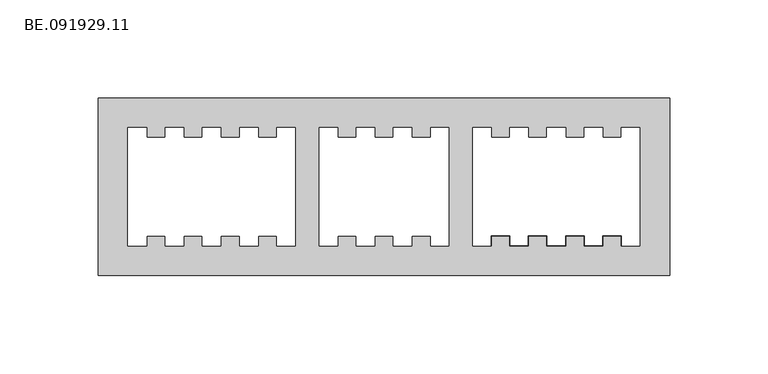
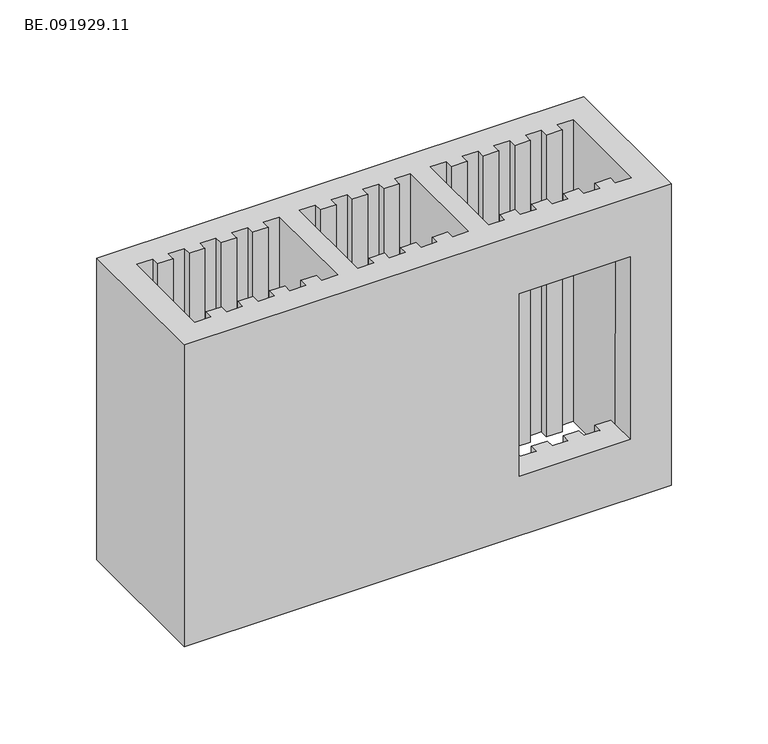
"""IFC4 building model written with IfcOpenShell, lengths in millimetres: proxy geometry, BE.091929.11."""

from ifc_helpers import new_model, si_unit, origin, place, context, project, spatial, faceted_brep, source, transform, mapped, element, save


def be_091929_11_864ae1f4(model_context):
    return source(origin(), model_context, "Body", "Brep", [
        faceted_brep([(295.0, 45.0, 190.0), (5.0, 45.0, 190.0), (5.0, -45.0, 190.0), (295.0, -45.0, 190.0), (104.9938965, -30.0055664, 190.0), (95.5433105, -30.0055664, 190.0), (95.5433105, -25.0012207, 190.0), (86.1113281, -25.0012207, 190.0), (86.1113281, -30.0055664, 190.0), (76.6607422, -30.0055664, 190.0), (76.6607422, -25.0012207, 190.0), (67.2101563, -25.0012207, 190.0), (67.2101563, -30.0055664, 190.0), (57.7781738, -30.0055664, 190.0), (57.7781738, -25.0012207, 190.0), (48.3275879, -25.0012207, 190.0), (48.3275879, -30.0055664, 190.0), (38.877002, -30.0055664, 190.0), (38.877002, -25.0012207, 190.0), (29.4450195, -25.0012207, 190.0), (29.4450195, -30.0055664, 190.0), (19.9944336, -30.0055664, 190.0), (19.9944336, 30.009375, 190.0), (29.4450195, 30.009375, 190.0), (29.4450195, 25.0050293, 190.0), (38.877002, 25.0050293, 190.0), (38.877002, 30.009375, 190.0), (48.3275879, 30.009375, 190.0), (48.3275879, 25.0050293, 190.0), (57.7781738, 25.0050293, 190.0), (57.7781738, 30.009375, 190.0), (67.2101563, 30.009375, 190.0), (67.2101563, 25.0050293, 190.0), (76.6607422, 25.0050293, 190.0), (76.6607422, 30.009375, 190.0), (86.1113281, 30.009375, 190.0), (86.1113281, 25.0050293, 190.0), (95.5433105, 25.0050293, 190.0), (95.5433105, 30.009375, 190.0), (104.9938965, 30.009375, 190.0), (116.9931641, 30.009375, 190.0), (126.44375, 30.009375, 190.0), (126.44375, 25.0050293, 190.0), (135.8757324, 25.0050293, 190.0), (135.8757324, 30.009375, 190.0), (145.3263184, 30.009375, 190.0), (145.3263184, 25.0050293, 190.0), (154.7769043, 25.0050293, 190.0), (154.7769043, 30.009375, 190.0), (164.2088867, 30.009375, 190.0), (164.2088867, 25.0050293, 190.0), (173.6594727, 25.0050293, 190.0), (173.6594727, 30.009375, 190.0), (182.9984375, 30.009375, 190.0), (182.9984375, -30.0055664, 190.0), (173.6594727, -30.0055664, 190.0), (173.6594727, -25.0012207, 190.0), (164.2088867, -25.0012207, 190.0), (164.2088867, -30.0055664, 190.0), (154.7769043, -30.0055664, 190.0), (154.7769043, -25.0012207, 190.0), (145.3263184, -25.0012207, 190.0), (145.3263184, -30.0055664, 190.0), (135.8757324, -30.0055664, 190.0), (135.8757324, -25.0012207, 190.0), (126.44375, -25.0012207, 190.0), (126.44375, -30.0055664, 190.0), (116.9931641, -30.0055664, 190.0), (194.9977051, 30.009375, 190.0), (204.4296875, 30.009375, 190.0), (204.4296875, 25.0050293, 190.0), (213.8802734, 25.0050293, 190.0), (213.8802734, 30.009375, 190.0), (223.3308594, 30.009375, 190.0), (223.3308594, 25.0050293, 190.0), (232.7628418, 25.0050293, 190.0), (232.7628418, 30.009375, 190.0), (242.2134277, 30.009375, 190.0), (242.2134277, 25.0050293, 190.0), (251.6640137, 25.0050293, 190.0), (251.6640137, 30.009375, 190.0), (261.0959961, 30.009375, 190.0), (261.0959961, 25.0050293, 190.0), (270.546582, 25.0050293, 190.0), (270.546582, 30.009375, 190.0), (279.997168, 30.009375, 190.0), (279.997168, -30.0055664, 190.0), (270.546582, -30.0055664, 190.0), (270.546582, -25.0012207, 190.0), (261.0959961, -25.0012207, 190.0), (261.0959961, -30.0055664, 190.0), (251.6640137, -30.0055664, 190.0), (251.6640137, -25.0012207, 190.0), (242.2134277, -25.0012207, 190.0), (242.2134277, -30.0055664, 190.0), (232.7628418, -30.0055664, 190.0), (232.7628418, -25.0012207, 190.0), (223.3308594, -25.0012207, 190.0), (223.3308594, -30.0055664, 190.0), (213.8802734, -30.0055664, 190.0), (213.8802734, -25.0012207, 190.0), (204.4296875, -25.0012207, 190.0), (204.4296875, -30.0055664, 190.0), (194.9977051, -30.0055664, 190.0), (295.0, 45.0, 0.0), (295.0, -45.0, 0.0), (5.0, -45.0, 0.0), (5.0, 45.0, 0.0), (104.9938965, -30.0055664, 0.0), (104.9938965, 30.009375, 0.0), (95.5433105, 30.009375, 0.0), (95.5433105, 25.0050293, 0.0), (86.1113281, 25.0050293, 0.0), (86.1113281, 30.009375, 0.0), (76.6607422, 30.009375, 0.0), (76.6607422, 25.0050293, 0.0), (67.2101563, 25.0050293, 0.0), (67.2101563, 30.009375, 0.0), (57.7781738, 30.009375, 0.0), (57.7781738, 25.0050293, 0.0), (48.3275879, 25.0050293, 0.0), (48.3275879, 30.009375, 0.0), (38.877002, 30.009375, 0.0), (38.877002, 25.0050293, 0.0), (29.4450195, 25.0050293, 0.0), (29.4450195, 30.009375, 0.0), (19.9944336, 30.009375, 0.0), (19.9944336, -30.0055664, 0.0), (29.4450195, -30.0055664, 0.0), (29.4450195, -25.0012207, 0.0), (38.877002, -25.0012207, 0.0), (38.877002, -30.0055664, 0.0), (48.3275879, -30.0055664, 0.0), (48.3275879, -25.0012207, 0.0), (57.7781738, -25.0012207, 0.0), (57.7781738, -30.0055664, 0.0), (67.2101563, -30.0055664, 0.0), (67.2101563, -25.0012207, 0.0), (76.6607422, -25.0012207, 0.0), (76.6607422, -30.0055664, 0.0), (86.1113281, -30.0055664, 0.0), (86.1113281, -25.0012207, 0.0), (95.5433105, -25.0012207, 0.0), (95.5433105, -30.0055664, 0.0), (116.9931641, 30.009375, 0.0), (116.9931641, -30.0055664, 0.0), (126.44375, -30.0055664, 0.0), (126.44375, -25.0012207, 0.0), (135.8757324, -25.0012207, 0.0), (135.8757324, -30.0055664, 0.0), (145.3263184, -30.0055664, 0.0), (145.3263184, -25.0012207, 0.0), (154.7769043, -25.0012207, 0.0), (154.7769043, -30.0055664, 0.0), (164.2088867, -30.0055664, 0.0), (164.2088867, -25.0012207, 0.0), (173.6594727, -25.0012207, 0.0), (173.6594727, -30.0055664, 0.0), (182.9984375, -30.0055664, 0.0), (182.9984375, 30.009375, 0.0), (173.6594727, 30.009375, 0.0), (173.6594727, 25.0050293, 0.0), (164.2088867, 25.0050293, 0.0), (164.2088867, 30.009375, 0.0), (154.7769043, 30.009375, 0.0), (154.7769043, 25.0050293, 0.0), (145.3263184, 25.0050293, 0.0), (145.3263184, 30.009375, 0.0), (135.8757324, 30.009375, 0.0), (135.8757324, 25.0050293, 0.0), (126.44375, 25.0050293, 0.0), (126.44375, 30.009375, 0.0), (194.9977051, 30.009375, 0.0), (194.9977051, -30.0055664, 0.0), (204.4296875, -30.0055664, 0.0), (204.4296875, -25.0012207, 0.0), (213.8802734, -25.0012207, 0.0), (213.8802734, -30.0055664, 0.0), (223.3308594, -30.0055664, 0.0), (223.3308594, -25.0012207, 0.0), (232.7628418, -25.0012207, 0.0), (232.7628418, -30.0055664, 0.0), (242.2134277, -30.0055664, 0.0), (242.2134277, -25.0012207, 0.0), (251.6640137, -25.0012207, 0.0), (251.6640137, -30.0055664, 0.0), (261.0959961, -30.0055664, 0.0), (261.0959961, -25.0012207, 0.0), (270.546582, -25.0012207, 0.0), (270.546582, -30.0055664, 0.0), (279.997168, -30.0055664, 0.0), (279.997168, 30.009375, 0.0), (270.546582, 30.009375, 0.0), (270.546582, 25.0050293, 0.0), (261.0959961, 25.0050293, 0.0), (261.0959961, 30.009375, 0.0), (251.6640137, 30.009375, 0.0), (251.6640137, 25.0050293, 0.0), (242.2134277, 25.0050293, 0.0), (242.2134277, 30.009375, 0.0), (232.7628418, 30.009375, 0.0), (232.7628418, 25.0050293, 0.0), (223.3308594, 25.0050293, 0.0), (223.3308594, 30.009375, 0.0), (213.8802734, 30.009375, 0.0), (213.8802734, 25.0050293, 0.0), (204.4296875, 25.0050293, 0.0), (204.4296875, 30.009375, 0.0), (204.4296875, -45.0, 37.5046875), (204.4296875, -45.0, 152.4930176), (270.5651855, -45.0, 152.4930176), (270.5651855, -45.0, 37.5046875), (270.546582, -30.0055664, 37.5046875), (270.5651855, -30.0055664, 152.4930176), (270.546582, -25.0012207, 152.4930176), (270.546582, -25.0012207, 37.5046875), (261.0959961, -25.0012207, 152.4930176), (261.0959961, -25.0012207, 37.5046875), (261.0959961, -30.0055664, 152.4930176), (261.0959961, -30.0055664, 37.5046875), (251.6640137, -30.0055664, 152.4930176), (251.6640137, -30.0055664, 37.5046875), (251.6640137, -25.0012207, 152.4930176), (251.6640137, -25.0012207, 37.5046875), (242.2134277, -25.0012207, 152.4930176), (242.2134277, -25.0012207, 37.5046875), (242.2134277, -30.0055664, 152.4930176), (242.2134277, -30.0055664, 37.5046875), (232.7628418, -30.0055664, 152.4930176), (232.7628418, -30.0055664, 37.5046875), (232.7628418, -25.0012207, 152.4930176), (232.7628418, -25.0012207, 37.5046875), (223.3308594, -25.0012207, 152.4930176), (223.3308594, -25.0012207, 37.5046875), (223.3308594, -30.0055664, 152.4930176), (223.3308594, -30.0055664, 37.5046875), (213.8802734, -30.0055664, 152.4930176), (213.8802734, -30.0055664, 37.5046875), (213.8802734, -25.0012207, 152.4930176), (213.8802734, -25.0012207, 37.5046875), (204.4296875, -25.0012207, 152.4930176), (204.4296875, -25.0012207, 37.5046875), (204.4296875, -30.0055664, 152.4930176), (204.4296875, -30.0055664, 37.5046875)], [[[0, 1, 2, 3], [4, 5, 6, 7, 8, 9, 10, 11, 12, 13, 14, 15, 16, 17, 18, 19, 20, 21, 22, 23, 24, 25, 26, 27, 28, 29, 30, 31, 32, 33, 34, 35, 36, 37, 38, 39], [40, 41, 42, 43, 44, 45, 46, 47, 48, 49, 50, 51, 52, 53, 54, 55, 56, 57, 58, 59, 60, 61, 62, 63, 64, 65, 66, 67], [68, 69, 70, 71, 72, 73, 74, 75, 76, 77, 78, 79, 80, 81, 82, 83, 84, 85, 86, 87, 88, 89, 90, 91, 92, 93, 94, 95, 96, 97, 98, 99, 100, 101, 102, 103]], [[104, 105, 106, 107], [108, 109, 110, 111, 112, 113, 114, 115, 116, 117, 118, 119, 120, 121, 122, 123, 124, 125, 126, 127, 128, 129, 130, 131, 132, 133, 134, 135, 136, 137, 138, 139, 140, 141, 142, 143], [144, 145, 146, 147, 148, 149, 150, 151, 152, 153, 154, 155, 156, 157, 158, 159, 160, 161, 162, 163, 164, 165, 166, 167, 168, 169, 170, 171], [172, 173, 174, 175, 176, 177, 178, 179, 180, 181, 182, 183, 184, 185, 186, 187, 188, 189, 190, 191, 192, 193, 194, 195, 196, 197, 198, 199, 200, 201, 202, 203, 204, 205, 206, 207]], [[1, 0, 104, 107]], [[2, 1, 107, 106]], [[3, 2, 106, 105], [208, 209, 210, 211]], [[0, 3, 105, 104]], [[5, 4, 108, 143]], [[6, 5, 143, 142]], [[7, 6, 142, 141]], [[8, 7, 141, 140]], [[9, 8, 140, 139]], [[10, 9, 139, 138]], [[11, 10, 138, 137]], [[12, 11, 137, 136]], [[13, 12, 136, 135]], [[14, 13, 135, 134]], [[15, 14, 134, 133]], [[16, 15, 133, 132]], [[17, 16, 132, 131]], [[18, 17, 131, 130]], [[19, 18, 130, 129]], [[20, 19, 129, 128]], [[21, 20, 128, 127]], [[22, 21, 127, 126]], [[23, 22, 126, 125]], [[24, 23, 125, 124]], [[25, 24, 124, 123]], [[26, 25, 123, 122]], [[27, 26, 122, 121]], [[28, 27, 121, 120]], [[29, 28, 120, 119]], [[30, 29, 119, 118]], [[31, 30, 118, 117]], [[32, 31, 117, 116]], [[33, 32, 116, 115]], [[34, 33, 115, 114]], [[35, 34, 114, 113]], [[36, 35, 113, 112]], [[37, 36, 112, 111]], [[38, 37, 111, 110]], [[39, 38, 110, 109]], [[4, 39, 109, 108]], [[41, 40, 144, 171]], [[42, 41, 171, 170]], [[43, 42, 170, 169]], [[44, 43, 169, 168]], [[45, 44, 168, 167]], [[46, 45, 167, 166]], [[47, 46, 166, 165]], [[48, 47, 165, 164]], [[49, 48, 164, 163]], [[50, 49, 163, 162]], [[51, 50, 162, 161]], [[52, 51, 161, 160]], [[53, 52, 160, 159]], [[54, 53, 159, 158]], [[55, 54, 158, 157]], [[56, 55, 157, 156]], [[57, 56, 156, 155]], [[58, 57, 155, 154]], [[59, 58, 154, 153]], [[60, 59, 153, 152]], [[61, 60, 152, 151]], [[62, 61, 151, 150]], [[63, 62, 150, 149]], [[64, 63, 149, 148]], [[65, 64, 148, 147]], [[66, 65, 147, 146]], [[67, 66, 146, 145]], [[40, 67, 145, 144]], [[69, 68, 172, 207]], [[70, 69, 207, 206]], [[71, 70, 206, 205]], [[72, 71, 205, 204]], [[73, 72, 204, 203]], [[74, 73, 203, 202]], [[75, 74, 202, 201]], [[76, 75, 201, 200]], [[77, 76, 200, 199]], [[78, 77, 199, 198]], [[79, 78, 198, 197]], [[80, 79, 197, 196]], [[81, 80, 196, 195]], [[82, 81, 195, 194]], [[83, 82, 194, 193]], [[84, 83, 193, 192]], [[85, 84, 192, 191]], [[86, 85, 191, 190]], [[87, 86, 190, 189, 212, 213]], [[88, 87, 213, 214]], [[189, 188, 215, 212]], [[89, 88, 214, 216]], [[188, 187, 217, 215]], [[90, 89, 216, 218]], [[187, 186, 219, 217]], [[91, 90, 218, 220]], [[186, 185, 221, 219]], [[92, 91, 220, 222]], [[185, 184, 223, 221]], [[93, 92, 222, 224]], [[184, 183, 225, 223]], [[94, 93, 224, 226]], [[183, 182, 227, 225]], [[95, 94, 226, 228]], [[182, 181, 229, 227]], [[96, 95, 228, 230]], [[181, 180, 231, 229]], [[97, 96, 230, 232]], [[180, 179, 233, 231]], [[98, 97, 232, 234]], [[179, 178, 235, 233]], [[99, 98, 234, 236]], [[178, 177, 237, 235]], [[100, 99, 236, 238]], [[177, 176, 239, 237]], [[101, 100, 238, 240]], [[176, 175, 241, 239]], [[102, 101, 240, 242]], [[175, 174, 243, 241]], [[103, 102, 242, 243, 174, 173]], [[68, 103, 173, 172]], [[208, 243, 242, 209]], [[211, 212, 215, 217, 219, 221, 223, 225, 227, 229, 231, 233, 235, 237, 239, 241, 243, 208]], [[212, 211, 210, 213]], [[213, 210, 209, 242, 240, 238, 236, 234, 232, 230, 228, 226, 224, 222, 220, 218, 216, 214]]]),
    ])


if __name__ == "__main__":
    model = new_model("IFC4")
    model_context = context("Model", 3, world=origin())
    ifc_project = project(units=[si_unit("LENGTHUNIT", "METRE", prefix="MILLI")], contexts=[model_context])
    site = spatial("IfcSite", under=ifc_project)
    building = spatial("IfcBuilding", under=site)
    placement = place(None, origin())
    be_091929_11_shape = be_091929_11_864ae1f4(model_context)
    element("IfcBuildingElementProxy", 1, Name="BE.091929.11", ObjectType="BE.091929.11", at=placement, inside=building, context=model_context, shape_type="MappedRepresentation", body=[
        mapped(be_091929_11_shape, transform((0.0, 0.0, 0.0), x_axis=(1.0, 0.0, 0.0), y_axis=(0.0, 1.0, 0.0), z_axis=(0.0, 0.0, 1.0))),
    ])
    save(model, "model.ifc")
